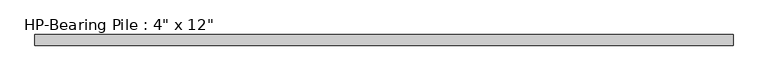
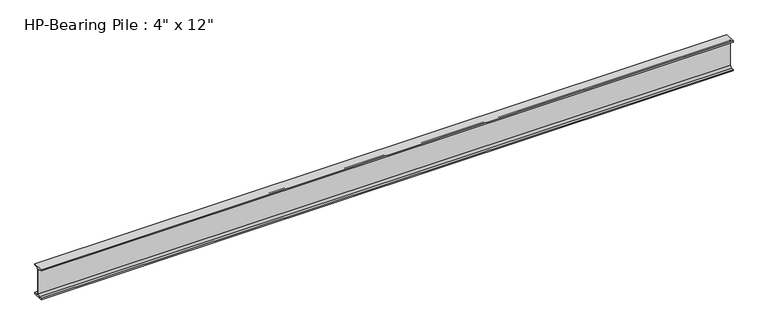
"""IFC4 building model written with IfcOpenShell, lengths in millimetres: beam geometry."""

from ifc_helpers import new_model, si_unit, point, frame, frame_2d, origin, place, context, project, spatial, polyline, circle_curve, trimmed, segment, composite_curve, outline, extrude, source, transform, mapped, element, save


def beam_26a42659(model_context):
    return source(origin(), model_context, "Body", "SweptSolid", [
        extrude(outline(composite_curve([segment(polyline([(50.8, -139.7), (50.8, -152.4), (-50.8, -152.4), (-50.8, -139.7), (-25.4, -139.7)]), True, "CONTINUOUS"), segment(trimmed(circle_curve(frame_2d((-25.4, -120.65)), 19.05), [point((-25.4, -139.7))], [point((-6.35, -120.65))], True, "CARTESIAN"), True, "CONTINUOUS"), segment(polyline([(-6.35, -120.65), (-6.35, 120.65)]), True, "CONTINUOUS"), segment(trimmed(circle_curve(frame_2d((-25.4, 120.65)), 19.05), [point((-6.35, 120.65))], [point((-25.4, 139.7))], True, "CARTESIAN"), True, "CONTINUOUS"), segment(polyline([(-25.4, 139.7), (-50.8, 139.7), (-50.8, 152.4), (50.8, 152.4), (50.8, 139.7), (25.4, 139.7)]), True, "CONTINUOUS"), segment(trimmed(circle_curve(frame_2d((25.4, 120.65)), 19.05), [point((25.4, 139.7))], [point((6.35, 120.65))], True, "CARTESIAN"), True, "CONTINUOUS"), segment(polyline([(6.35, 120.65), (6.35, -120.65)]), True, "CONTINUOUS"), segment(trimmed(circle_curve(frame_2d((25.4, -120.65)), 19.05), [point((6.35, -120.65))], [point((25.4, -139.7))], True, "CARTESIAN"), True, "CONTINUOUS"), segment(polyline([(25.4, -139.7), (50.8, -139.7)]), True, "CONTINUOUS")], self_intersect=False)), frame((-3327.4, 0.0, 0.0), z_axis=(1.0, 0.0, 0.0), x_axis=(0.0, 1.0, 0.0)), (0.0, 0.0, 1.0), 6654.8),
    ])


if __name__ == "__main__":
    model = new_model("IFC4")
    model_context = context("Model", 3, world=origin())
    ifc_project = project(units=[si_unit("LENGTHUNIT", "METRE", prefix="MILLI")], contexts=[model_context])
    site = spatial("IfcSite", under=ifc_project)
    building = spatial("IfcBuilding", under=site)
    placement = place(None, origin())
    beam_shape = beam_26a42659(model_context)
    element("IfcBeam", 1, ObjectType="HP-Bearing Pile : 4\" x 12\"", at=placement, inside=building, context=model_context, shape_type="MappedRepresentation", body=[
        mapped(beam_shape, transform((0.0, 0.0, 0.0), x_axis=(1.0, 0.0, 0.0), y_axis=(0.0, 1.0, 0.0), z_axis=(0.0, 0.0, 1.0))),
    ])
    save(model, "model.ifc")
